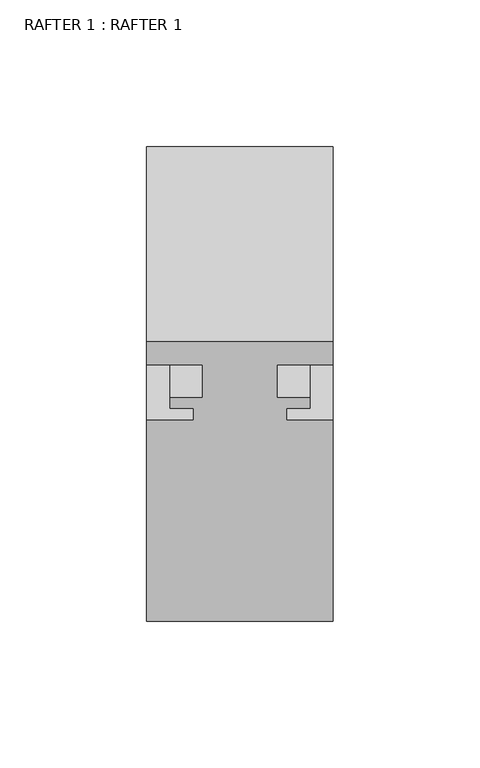
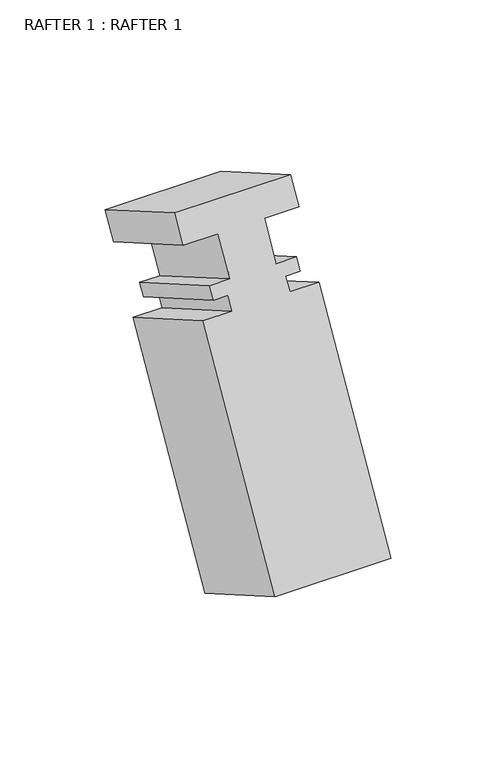
"""IFC4 building model written with IfcOpenShell, lengths in millimetres: proxy geometry, RAFTER 1 : RAFTER 1."""

from ifc_helpers import new_model, si_unit, frame, origin, place, context, project, spatial, polyline, outline, extrude, source, transform, mapped, element, save


def rafter_1_rafter_1_921f4d3f(model_context):
    return source(origin(), model_context, "Body", "SweptSolid", [
        extrude(outline(polyline([(0.0, 0.0), (0.0, -63.5), (-15.875, -63.5), (-15.875, -44.45), (-38.3540001, -44.45), (-38.3540001, -55.5752), (-45.5168, -55.5752), (-45.5168, -47.625), (-53.4162, -47.625), (-53.4162, -63.5), (-190.2312389, -63.5), (-190.2312389, 0.0), (-53.4162, 0.0), (-53.4162, -15.875), (-45.5168, -15.875), (-45.5168, -7.9248), (-38.3540001, -7.9248), (-38.3540001, -19.05), (-15.875, -19.05), (-15.875, 0.0), (0.0, 0.0)])), frame((10288.6030333, -11161.0599954, 2659.4141697), z_axis=(0.0, -0.8660254037844384, 0.5000000000000007), x_axis=(0.0, 0.5000000000000007, 0.8660254037844384)), (0.0, 0.0, 1.0), 76.5572198),
    ])


if __name__ == "__main__":
    model = new_model("IFC4")
    model_context = context("Model", 3, world=origin())
    ifc_project = project(units=[si_unit("LENGTHUNIT", "METRE", prefix="MILLI")], contexts=[model_context])
    site = spatial("IfcSite", under=ifc_project)
    building = spatial("IfcBuilding", under=site)
    placement = place(None, origin())
    rafter_1_rafter_1_shape = rafter_1_rafter_1_921f4d3f(model_context)
    element("IfcBuildingElementProxy", 1, Name="RAFTER 1 : RAFTER 1", ObjectType="RAFTER 1 : RAFTER 1", at=placement, inside=building, context=model_context, shape_type="MappedRepresentation", body=[
        mapped(rafter_1_rafter_1_shape, transform((0.0, 0.0, 0.0), x_axis=(1.0, 0.0, 0.0), y_axis=(0.0, 1.0, 0.0), z_axis=(0.0, 0.0, 1.0))),
    ])
    save(model, "model.ifc")
